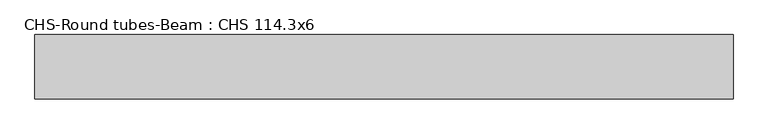
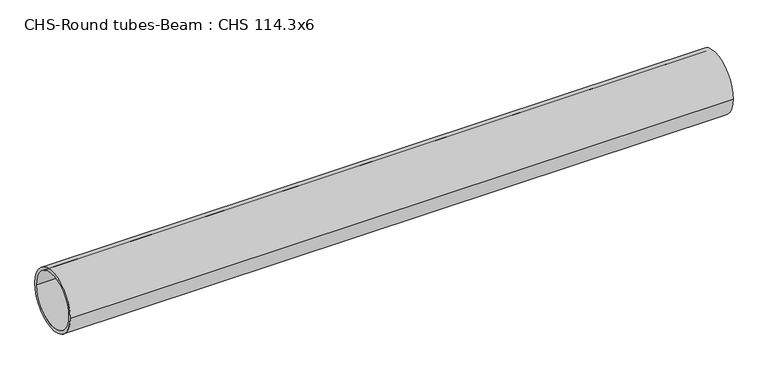
"""IFC4 building model written with IfcOpenShell, lengths in millimetres: beam geometry, CHS-Round tubes-Beam : CHS 114.3x6."""

from ifc_helpers import new_model, si_unit, point, frame, origin, origin_2d, place, context, project, spatial, circle_curve, trimmed, segment, composite_curve, outline, extrude, source, transform, mapped, element, save


def chs_round_tubes_beam_chs_114_3x6_32bc47c0(model_context):
    return source(origin(), model_context, "Body", "SweptSolid", [
        extrude(outline(composite_curve([segment(trimmed(circle_curve(origin_2d(), 57.15), [point((57.15, 0.0))], [point((-57.15, 0.0))], False, "CARTESIAN"), True, "CONTINUOUS"), segment(trimmed(circle_curve(origin_2d(), 57.15), [point((-57.15, 0.0))], [point((57.15, 0.0))], False, "CARTESIAN"), True, "CONTINUOUS")], self_intersect=False), holes=[composite_curve([segment(trimmed(circle_curve(origin_2d(), 51.15), [point((51.15, 0.0))], [point((-51.15, 0.0))], True, "CARTESIAN"), True, "CONTINUOUS"), segment(trimmed(circle_curve(origin_2d(), 51.15), [point((-51.15, 0.0))], [point((51.15, 0.0))], True, "CARTESIAN"), True, "CONTINUOUS")], self_intersect=False)]), frame((-616.151191, 0.0, 0.0), z_axis=(1.0, 0.0, 0.0), x_axis=(0.0, 1.0, 0.0)), (0.0, 0.0, 1.0), 1236.7053627),
    ])


if __name__ == "__main__":
    model = new_model("IFC4")
    model_context = context("Model", 3, world=origin())
    ifc_project = project(units=[si_unit("LENGTHUNIT", "METRE", prefix="MILLI")], contexts=[model_context])
    site = spatial("IfcSite", under=ifc_project)
    building = spatial("IfcBuilding", under=site)
    placement = place(None, origin())
    chs_round_tubes_beam_chs_114_3x6_shape = chs_round_tubes_beam_chs_114_3x6_32bc47c0(model_context)
    element("IfcBeam", 1, ObjectType="CHS-Round tubes-Beam : CHS 114.3x6", at=placement, inside=building, context=model_context, shape_type="MappedRepresentation", body=[
        mapped(chs_round_tubes_beam_chs_114_3x6_shape, transform((0.0, 0.0, 0.0), x_axis=(1.0, 0.0, 0.0), y_axis=(0.0, 1.0, 0.0), z_axis=(0.0, 0.0, 1.0))),
    ])
    save(model, "model.ifc")
